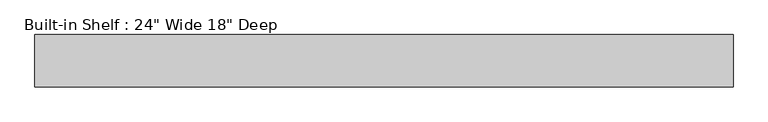
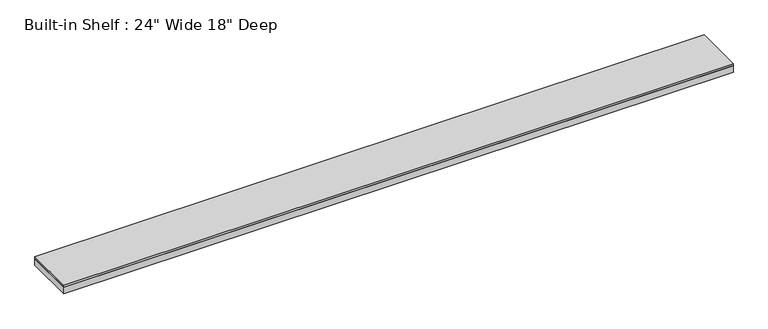
"""IFC4 building model written with IfcOpenShell, lengths in millimetres: furniture geometry."""

from ifc_helpers import new_model, si_unit, frame, origin, place, context, project, spatial, polyline, outline, extrude, source, transform, mapped, element, save


def furniture_58fdceb4(model_context):
    return source(origin(), model_context, "Body", "SweptSolid", [
        extrude(outline(polyline([(3055.5808864, 554.0375), (3055.5808864, 96.8375), (-3055.5808864, 96.8375), (-3055.5808864, 554.0375), (3055.5808864, 554.0375)])), frame((0.0, 0.0, 2114.55), z_axis=(0.0, 0.0, 1.0), x_axis=(1.0, 0.0, 0.0)), (0.0, 0.0, 1.0), 19.05),
        extrude(outline(polyline([(3055.5808864, 96.8375), (-3055.5808864, 96.8375), (-3055.5808864, 554.0375), (-3036.5308864, 554.0375), (-3036.5308864, 115.8875), (3036.5308864, 115.8875), (3036.5308864, 554.0375), (3055.5808864, 554.0375), (3055.5808864, 96.8375)])), frame((0.0, 0.0, 2051.05), z_axis=(0.0, 0.0, 1.0), x_axis=(1.0, 0.0, 0.0)), (0.0, 0.0, 1.0), 63.5),
    ])


if __name__ == "__main__":
    model = new_model("IFC4")
    model_context = context("Model", 3, world=origin())
    ifc_project = project(units=[si_unit("LENGTHUNIT", "METRE", prefix="MILLI")], contexts=[model_context])
    site = spatial("IfcSite", under=ifc_project)
    building = spatial("IfcBuilding", under=site)
    placement = place(None, origin())
    furniture_shape = furniture_58fdceb4(model_context)
    element("IfcFurniture", 1, ObjectType="Built-in Shelf : 24\" Wide 18\" Deep", at=placement, inside=building, context=model_context, shape_type="MappedRepresentation", body=[
        mapped(furniture_shape, transform((0.0, 0.0, 0.0), x_axis=(1.0, 0.0, 0.0), y_axis=(0.0, 1.0, 0.0), z_axis=(0.0, 0.0, 1.0))),
    ])
    save(model, "model.ifc")
